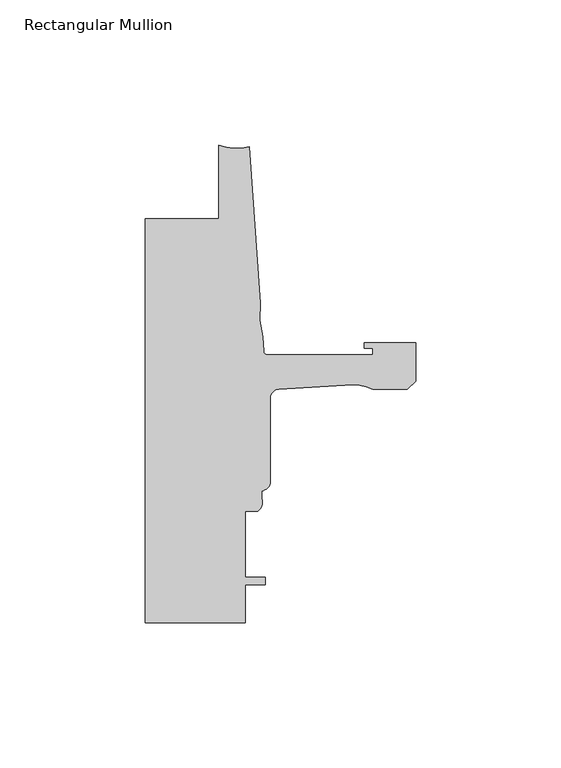
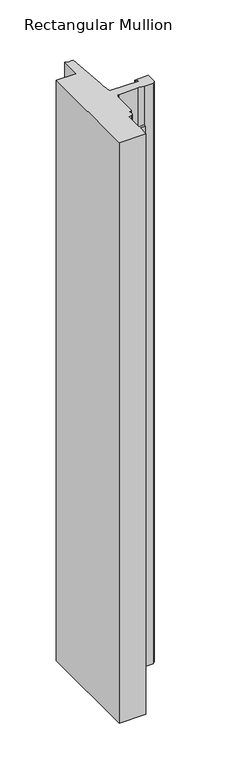
"""IFC4 building model written with IfcOpenShell, lengths in millimetres: member geometry, Rectangular Mullion."""

from ifc_helpers import new_model, si_unit, point, frame, frame_2d, origin, place, context, project, spatial, polyline, circle_curve, trimmed, segment, composite_curve, outline, extrude, source, transform, mapped, element, save


def rectangular_mullion_729ac0ce(model_context):
    return source(origin(), model_context, "Body", "SweptSolid", [
        extrude(outline(composite_curve([segment(polyline([(-93.2286109, -50.8004525), (-67.8287241, -50.8004525), (-67.8287241, -25.4)]), True, "CONTINUOUS"), segment(trimmed(circle_curve(frame_2d((-61.5737839, -9.8669201)), 16.7451739), [point((-67.8287241, -25.4))], [point((-57.2987828, -26.0572016))], True, "CARTESIAN"), True, "CONTINUOUS"), segment(polyline([(-57.2987828, -26.0572016), (-53.5273008, -79.9916583)]), True, "CONTINUOUS"), segment(trimmed(circle_curve(frame_2d((-22.6573046, -83.620143)), 31.0825122), [point((-53.5273008, -79.9916583))], [point((-52.7218885, -91.5095894))], True, "CARTESIAN"), True, "CONTINUOUS"), segment(polyline([(-52.7218885, -91.5095894), (-52.3871825, -96.2961089)]), True, "CONTINUOUS"), segment(trimmed(circle_curve(frame_2d((-50.8668948, -96.1898)), 1.524), [point((-52.3871825, -96.2961089))], [point((-50.8668948, -97.7138))], True, "CARTESIAN"), True, "CONTINUOUS"), segment(polyline([(-50.8668948, -97.7138), (-14.783487, -97.7138), (-14.783487, -95.3769999), (-17.6377748, -95.3769999), (-17.6377748, -93.5989999), (0.0, -93.5989999), (0.0, -106.7555127), (-2.845487, -109.6009998), (-14.7368542, -109.6009998)]), True, "CONTINUOUS"), segment(trimmed(circle_curve(frame_2d((-20.8718421, -120.5826865)), 12.5791701), [point((-14.7368542, -109.6009998))], [point((-21.6202542, -108.0257999))], True, "CARTESIAN"), True, "CONTINUOUS"), segment(polyline([(-21.6202542, -108.0257999), (-47.0897067, -109.5438232)]), True, "CONTINUOUS"), segment(trimmed(circle_curve(frame_2d((-46.9265, -112.7146257)), 3.175), [point((-47.0897067, -109.5438232))], [point((-50.1015, -112.7146257))], True, "CARTESIAN"), True, "CONTINUOUS"), segment(polyline([(-50.1015, -112.7146257), (-50.1015, -141.426113)]), True, "CONTINUOUS"), segment(trimmed(circle_curve(frame_2d((-53.2765, -141.426113)), 3.175), [point((-50.1015, -141.426113))], [point((-53.0225002, -144.5909367))], False, "CARTESIAN"), True, "CONTINUOUS"), segment(polyline([(-53.0225002, -144.5909367), (-53.0225002, -147.1775425)]), True, "CONTINUOUS"), segment(trimmed(circle_curve(frame_2d((-56.4301064, -148.496956)), 3.6541253), [point((-53.0225002, -147.1775425))], [point((-54.4195002, -151.5482008))], False, "CARTESIAN"), True, "CONTINUOUS"), segment(polyline([(-54.4195002, -151.5482008), (-58.7375, -151.5482008), (-58.7375, -174.4082008), (-51.8795003, -174.4082008), (-51.8795003, -176.9482008), (-58.7375, -176.9482008), (-58.7375, -189.992), (-93.2286109, -189.992), (-93.2286109, -50.8004525)]), True, "CONTINUOUS")], self_intersect=False)), frame((0.0, 0.0, -787.3997736), z_axis=(0.0, 0.0, 1.0), x_axis=(1.0, 0.0, 0.0)), (0.0, 0.0, 1.0), 787.3997736),
    ])


if __name__ == "__main__":
    model = new_model("IFC4")
    model_context = context("Model", 3, world=origin())
    ifc_project = project(units=[si_unit("LENGTHUNIT", "METRE", prefix="MILLI")], contexts=[model_context])
    site = spatial("IfcSite", under=ifc_project)
    building = spatial("IfcBuilding", under=site)
    placement = place(None, origin())
    rectangular_mullion_shape = rectangular_mullion_729ac0ce(model_context)
    element("IfcMember", 1, ObjectType="Rectangular Mullion", at=placement, inside=building, context=model_context, shape_type="MappedRepresentation", body=[
        mapped(rectangular_mullion_shape, transform((0.0, 0.0, 0.0), x_axis=(1.0, 0.0, 0.0), y_axis=(0.0, 1.0, 0.0), z_axis=(0.0, 0.0, 1.0))),
    ])
    save(model, "model.ifc")
